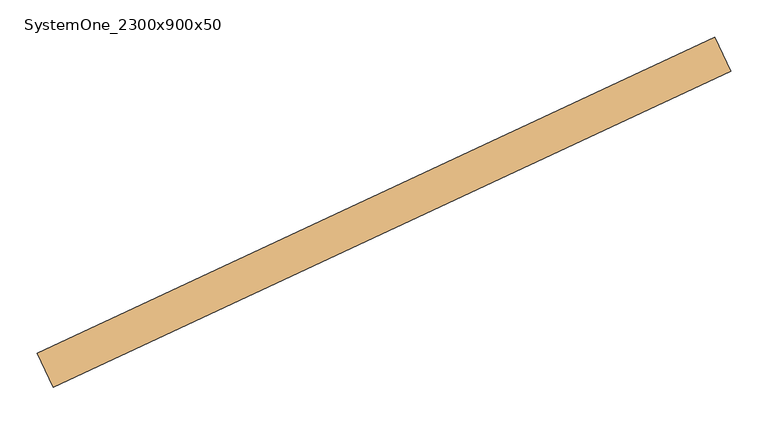
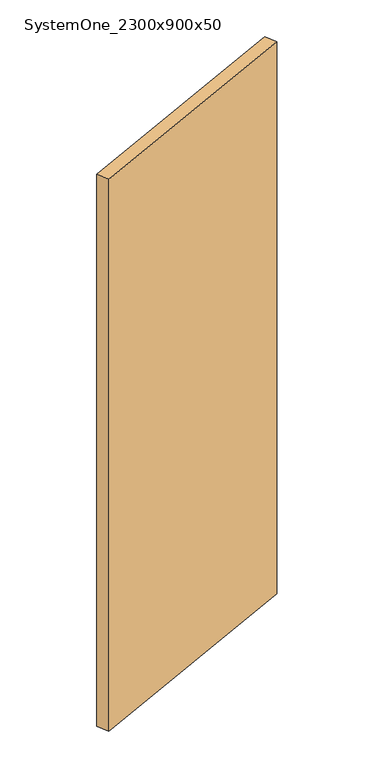
"""IFC4 building model written with IfcOpenShell, lengths in millimetres: door geometry, SystemOne_2300x900x50."""

from ifc_helpers import new_model, si_unit, frame, origin, place, context, project, spatial, polyline, outline, extrude, source, transform, mapped, element, save


def systemone_2300x900x50_b0a5673d(model_context):
    return source(origin(), model_context, "Body", "SweptSolid", [
        extrude(outline(polyline([(826.2424649, 357.6987409), (-80.0653222, -64.9195208), (-101.1962352, -19.6041315), (805.1115518, 403.0141302), (826.2424649, 357.6987409)])), frame((0.0, 0.0, 13.0), z_axis=(0.0, 0.0, 1.0), x_axis=(1.0, 0.0, 0.0)), (0.0, 0.0, 1.0), 2300.0),
    ])


if __name__ == "__main__":
    model = new_model("IFC4")
    model_context = context("Model", 3, world=origin())
    ifc_project = project(units=[si_unit("LENGTHUNIT", "METRE", prefix="MILLI")], contexts=[model_context])
    site = spatial("IfcSite", under=ifc_project)
    building = spatial("IfcBuilding", under=site)
    placement = place(None, origin())
    systemone_2300x900x50_shape = systemone_2300x900x50_b0a5673d(model_context)
    element("IfcDoor", 1, ObjectType="SystemOne_2300x900x50", at=placement, inside=building, context=model_context, shape_type="MappedRepresentation", body=[
        mapped(systemone_2300x900x50_shape, transform((0.0, 0.0, 0.0), x_axis=(1.0, 0.0, 0.0), y_axis=(0.0, 1.0, 0.0), z_axis=(0.0, 0.0, 1.0))),
    ])
    save(model, "model.ifc")
